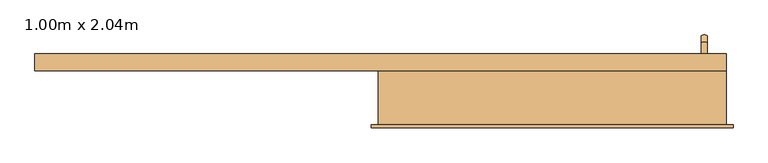
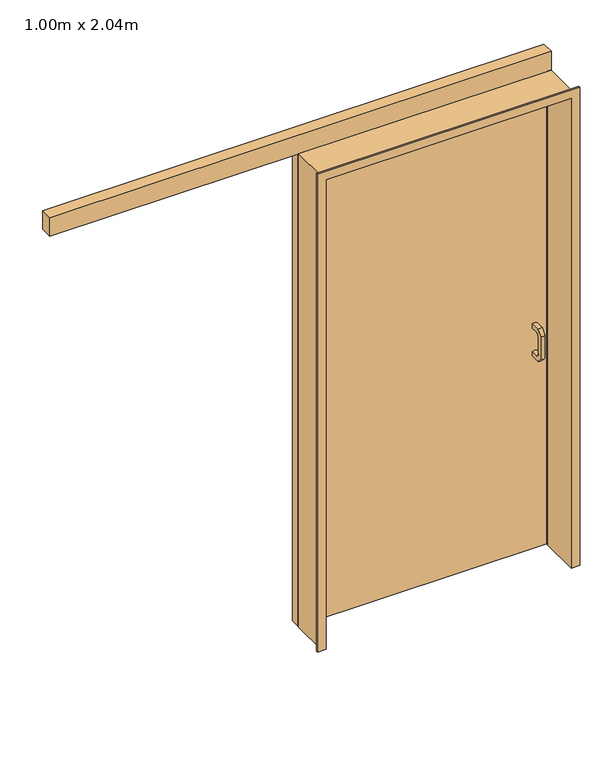
"""IFC4 building model written with IfcOpenShell, lengths in millimetres: door geometry, 1.00m x 2.04m."""

from ifc_helpers import new_model, si_unit, frame, origin, origin_with_axes, place, context, project, spatial, polyline, circle_curve, ellipse_curve, outline, extrude, faceted_brep, source, transform, mapped, element, save
from ifc_brep_helpers import plane_surface, cylinder_surface, advanced_brep


def door_1_00m_x_2_04m_8bb2a5d7(model_context):
    return source(origin(), model_context, "Body", "SolidModel", [
        advanced_brep(
        [(302.6965769, 85.0, 951.0), (302.6965769, 85.0, 969.0), (320.6965769, 85.0, 969.0), (320.6965769, 85.0, 951.0), (302.6965769, 53.7279221, 951.0), (302.6965769, 44.0, 941.2720779), (302.6965769, 44.0, 858.7279221), (302.6965769, 53.7279221, 849.0), (302.6965769, 85.0, 849.0), (302.6965769, 85.0, 831.0), (302.6965769, 46.2720779, 831.0), (302.6965769, 26.0, 851.2720779), (302.6965769, 26.0, 948.7279221), (302.6965769, 46.2720779, 969.0), (320.6965769, 46.2720779, 969.0), (320.6965769, 26.0, 948.7279221), (320.6965769, 26.0, 851.2720779), (320.6965769, 46.2720779, 831.0), (320.6965769, 85.0, 831.0), (320.6965769, 85.0, 849.0), (320.6965769, 53.7279221, 849.0), (320.6965769, 44.0, 858.7279221), (320.6965769, 44.0, 941.2720779), (320.6965769, 53.7279221, 951.0)],
        [
            (0, 1),
            (1, 2, circle_curve(frame((311.6965769, 85.0, 952.1757495), z_axis=(0.0, 1.0, 0.0), x_axis=(0.0, 0.0, -1.0)), 19.0802359)),
            (2, 3),
            (3, 0, circle_curve(frame((311.6965769, 85.0, 967.8242505), z_axis=(0.0, 1.0, 0.0), x_axis=(0.0, 0.0, -1.0)), 19.0802359)),
            (0, 4),
            (4, 5),
            (5, 6),
            (6, 7),
            (7, 8),
            (8, 9),
            (9, 10),
            (10, 11),
            (11, 12),
            (12, 13),
            (13, 1),
            (13, 14, ellipse_curve(frame((311.6965769, 53.2409107, 952.1757495), z_axis=(0.0, 0.9238795325113943, 0.3826834323648303), x_axis=(0.0, 0.38268343236483, -0.9238795325113943)), 20.6522986, 19.0802359)),
            (14, 2),
            (14, 15),
            (15, 16),
            (16, 17),
            (17, 18),
            (18, 19),
            (19, 20),
            (20, 21),
            (21, 22),
            (22, 23),
            (23, 3),
            (23, 4, ellipse_curve(frame((311.6965769, 46.7590893, 967.8242505), z_axis=(0.0, 0.9238795325113943, 0.3826834323648303), x_axis=(0.0, 0.38268343236483, -0.9238795325113943)), 20.6522986, 19.0802359)),
            (12, 15, ellipse_curve(frame((311.6965769, 42.8242505, 941.7590893), z_axis=(0.0, 0.38268343236534924, 0.9238795325111794), x_axis=(0.0, 0.9238795325111792, -0.3826834323653497)), 20.6522986, 19.0802359)),
            (22, 5, ellipse_curve(frame((311.6965769, 27.1757495, 948.2409107), z_axis=(0.0, 0.38268343236534924, 0.9238795325111794), x_axis=(0.0, 0.9238795325111792, -0.3826834323653497)), 20.6522986, 19.0802359)),
            (11, 16, ellipse_curve(frame((311.6965769, 42.8242505, 858.2409107), z_axis=(0.0, -0.38268343236508773, 0.9238795325112875), x_axis=(0.0, 0.9238795325112874, 0.38268343236508806)), 20.6522986, 19.0802359)),
            (21, 6, ellipse_curve(frame((311.6965769, 27.1757495, 851.7590893), z_axis=(0.0, -0.38268343236508773, 0.9238795325112875), x_axis=(0.0, 0.9238795325112874, 0.38268343236508806)), 20.6522986, 19.0802359)),
            (10, 17, ellipse_curve(frame((311.6965769, 53.2409107, 847.8242505), z_axis=(0.0, -0.9238795325112861, 0.3826834323650919), x_axis=(0.0, 0.3826834323650928, 0.9238795325112856)), 20.6522986, 19.0802359)),
            (20, 7, ellipse_curve(frame((311.6965769, 46.7590893, 832.1757495), z_axis=(0.0, -0.9238795325112861, 0.3826834323650919), x_axis=(0.0, 0.3826834323650928, 0.9238795325112856)), 20.6522986, 19.0802359)),
            (8, 19, circle_curve(frame((311.6965769, 85.0, 832.1757495), z_axis=(0.0, 1.0, 0.0), x_axis=(0.0, 0.0, 1.0)), 19.0802359)),
            (18, 9, circle_curve(frame((311.6965769, 85.0, 847.8242505), z_axis=(0.0, 1.0, 0.0), x_axis=(0.0, 0.0, 1.0)), 19.0802359)),
        ],
        [
            plane_surface(frame((324.424499, 85.0, 960.0), z_axis=(0.0, 1.0, 0.0), x_axis=(0.0, 0.0, 1.0))),
            plane_surface(frame((302.6965769, 85.0, 951.0), z_axis=(-1.0, 0.0, 0.0), x_axis=(0.0, -1.0, 0.0))),
            cylinder_surface(frame((311.6965769, 85.0, 952.1757495), z_axis=(0.0, 1.0, 0.0), x_axis=(0.0, 0.0, -1.0)), 19.0802359),
            plane_surface(frame((320.6965769, 85.0, 969.0), z_axis=(1.0, 0.0, 0.0), x_axis=(0.0, -1.0, 0.0))),
            cylinder_surface(frame((311.6965769, 85.0, 967.8242505), z_axis=(0.0, 1.0, 0.0), x_axis=(0.0, 0.0, -1.0)), 19.0802359),
            cylinder_surface(frame((311.6965769, 55.5325806, 954.4674194), z_axis=(0.0, 0.7071067811869447, 0.7071067811861503), x_axis=(0.0, 0.7071067811861503, -0.7071067811869447)), 19.0802359),
            cylinder_surface(frame((311.6965769, 44.4674194, 965.5325806), z_axis=(0.0, 0.7071067811869447, 0.7071067811861503), x_axis=(0.0, 0.7071067811861503, -0.7071067811869447)), 19.0802359),
            cylinder_surface(frame((311.6965769, 42.8242505, 945.0), z_axis=(0.0, 0.0, 1.0), x_axis=(0.0, 1.0, 0.0)), 19.0802359),
            cylinder_surface(frame((311.6965769, 27.1757495, 945.0), z_axis=(0.0, 0.0, 1.0), x_axis=(0.0, 1.0, 0.0)), 19.0802359),
            cylinder_surface(frame((311.6965769, 40.5325806, 860.5325806), z_axis=(0.0, -0.7071067811865445, 0.7071067811865507), x_axis=(0.0, 0.7071067811865507, 0.7071067811865445)), 19.0802359),
            cylinder_surface(frame((311.6965769, 29.4674194, 849.4674194), z_axis=(0.0, -0.7071067811865445, 0.7071067811865507), x_axis=(0.0, 0.7071067811865507, 0.7071067811865445)), 19.0802359),
            plane_surface(frame((324.424499, 85.0, 840.0), z_axis=(0.0, 1.0, 0.0), x_axis=(0.0, 0.0, -1.0))),
            cylinder_surface(frame((311.6965769, 50.0, 847.8242505), z_axis=(0.0, -1.0, 0.0), x_axis=(0.0, 0.0, 1.0)), 19.0802359),
            cylinder_surface(frame((311.6965769, 50.0, 832.1757495), z_axis=(0.0, -1.0, 0.0), x_axis=(0.0, 0.0, 1.0)), 19.0802359),
        ],
        [
            (0, [[1, 2, 3, 4]]),
            (1, [[-1, 5, 6, 7, 8, 9, 10, 11, 12, 13, 14, 15]]),
            (2, [[-2, -15, 16, 17]]),
            (3, [[-3, -17, 18, 19, 20, 21, 22, 23, 24, 25, 26, 27]]),
            (4, [[-4, -27, 28, -5]]),
            (5, [[-16, -14, 29, -18]]),
            (6, [[-28, -26, 30, -6]]),
            (7, [[-29, -13, 31, -19]]),
            (8, [[-30, -25, 32, -7]]),
            (9, [[-31, -12, 33, -20]]),
            (10, [[-32, -24, 34, -8]]),
            (11, [[35, -22, 36, -10]]),
            (12, [[-33, -11, -36, -21]]),
            (13, [[-34, -23, -35, -9]]),
        ],
    ),
        advanced_brep(
        [(320.6965769, 125.0, 969.0), (302.6965769, 125.0, 969.0), (302.6965769, 125.0, 951.0), (320.6965769, 125.0, 951.0), (320.6965769, 163.7279221, 969.0), (302.6965769, 163.7279221, 969.0), (302.6965769, 184.0, 948.7279221), (302.6965769, 184.0, 851.2720779), (302.6965769, 163.7279221, 831.0), (302.6965769, 125.0, 831.0), (302.6965769, 125.0, 849.0), (302.6965769, 156.2720779, 849.0), (302.6965769, 166.0, 858.7279221), (302.6965769, 166.0, 941.2720779), (302.6965769, 156.2720779, 951.0), (320.6965769, 156.2720779, 951.0), (320.6965769, 166.0, 941.2720779), (320.6965769, 166.0, 858.7279221), (320.6965769, 156.2720779, 849.0), (320.6965769, 125.0, 849.0), (320.6965769, 125.0, 831.0), (320.6965769, 163.7279221, 831.0), (320.6965769, 184.0, 851.2720779), (320.6965769, 184.0, 948.7279221)],
        [
            (0, 1, circle_curve(frame((311.6965769, 125.0, 952.1757495), z_axis=(0.0, -1.0, 0.0), x_axis=(0.0, 0.0, 1.0)), 19.0802359)),
            (1, 2),
            (2, 3, circle_curve(frame((311.6965769, 125.0, 967.8242505), z_axis=(0.0, -1.0, 0.0), x_axis=(0.0, 0.0, 1.0)), 19.0802359)),
            (3, 0),
            (0, 4),
            (4, 5, ellipse_curve(frame((311.6965769, 156.7590893, 952.1757495), z_axis=(0.0, -0.9238795325111986, 0.38268343236530267), x_axis=(0.0, -0.38268343236530256, -0.9238795325111986)), 20.6522986, 19.0802359)),
            (5, 1),
            (5, 6),
            (6, 7),
            (7, 8),
            (8, 9),
            (9, 10),
            (10, 11),
            (11, 12),
            (12, 13),
            (13, 14),
            (14, 2),
            (14, 15, ellipse_curve(frame((311.6965769, 163.2409107, 967.8242505), z_axis=(0.0, -0.9238795325111986, 0.38268343236530267), x_axis=(0.0, -0.38268343236530256, -0.9238795325111986)), 20.6522986, 19.0802359)),
            (15, 3),
            (15, 16),
            (16, 17),
            (17, 18),
            (18, 19),
            (19, 20),
            (20, 21),
            (21, 22),
            (22, 23),
            (23, 4),
            (23, 6, ellipse_curve(frame((311.6965769, 167.1757495, 941.7590893), z_axis=(0.0, -0.38268343236487695, 0.923879532511375), x_axis=(0.0, -0.9238795325113747, -0.3826834323648774)), 20.6522986, 19.0802359)),
            (13, 16, ellipse_curve(frame((311.6965769, 182.8242505, 948.2409107), z_axis=(0.0, -0.38268343236487695, 0.923879532511375), x_axis=(0.0, -0.9238795325113747, -0.3826834323648774)), 20.6522986, 19.0802359)),
            (22, 7, ellipse_curve(frame((311.6965769, 167.1757495, 858.2409107), z_axis=(0.0, 0.38268343236508484, 0.9238795325112887), x_axis=(0.0, -0.9238795325112886, 0.3826834323650852)), 20.6522986, 19.0802359)),
            (12, 17, ellipse_curve(frame((311.6965769, 182.8242505, 851.7590893), z_axis=(0.0, 0.38268343236508484, 0.9238795325112887), x_axis=(0.0, -0.9238795325112886, 0.3826834323650852)), 20.6522986, 19.0802359)),
            (21, 8, ellipse_curve(frame((311.6965769, 156.7590893, 847.8242505), z_axis=(0.0, 0.9238795325112846, 0.38268343236509456), x_axis=(0.0, -0.38268343236509395, 0.9238795325112851)), 20.6522986, 19.0802359)),
            (11, 18, ellipse_curve(frame((311.6965769, 163.2409107, 832.1757495), z_axis=(0.0, 0.9238795325112846, 0.38268343236509456), x_axis=(0.0, -0.38268343236509395, 0.9238795325112851)), 20.6522986, 19.0802359)),
            (19, 10, circle_curve(frame((311.6965769, 125.0, 832.1757495), z_axis=(0.0, -1.0, 0.0), x_axis=(0.0, 0.0, -1.0)), 19.0802359)),
            (9, 20, circle_curve(frame((311.6965769, 125.0, 847.8242505), z_axis=(0.0, -1.0, 0.0), x_axis=(0.0, 0.0, -1.0)), 19.0802359)),
        ],
        [
            plane_surface(frame((324.424499, 125.0, 960.0), z_axis=(0.0, -1.0, 0.0), x_axis=(0.0, 0.0, -1.0))),
            cylinder_surface(frame((311.6965769, 125.0, 952.1757495), z_axis=(0.0, -1.0, 0.0), x_axis=(0.0, 0.0, 1.0)), 19.0802359),
            plane_surface(frame((302.6965769, 125.0, 969.0), z_axis=(-1.0, 0.0, 0.0), x_axis=(0.0, 1.0, 0.0))),
            cylinder_surface(frame((311.6965769, 125.0, 967.8242505), z_axis=(0.0, -1.0, 0.0), x_axis=(0.0, 0.0, 1.0)), 19.0802359),
            plane_surface(frame((320.6965769, 125.0, 951.0), z_axis=(1.0, 0.0, 0.0), x_axis=(0.0, 1.0, 0.0))),
            cylinder_surface(frame((311.6965769, 154.4674194, 954.4674194), z_axis=(0.0, -0.7071067811862217, 0.7071067811868734), x_axis=(0.0, 0.7071067811868734, 0.7071067811862217)), 19.0802359),
            cylinder_surface(frame((311.6965769, 165.5325806, 965.5325806), z_axis=(0.0, -0.7071067811862217, 0.7071067811868734), x_axis=(0.0, 0.7071067811868734, 0.7071067811862217)), 19.0802359),
            cylinder_surface(frame((311.6965769, 167.1757495, 945.0), z_axis=(0.0, 0.0, 1.0), x_axis=(0.0, 1.0, 0.0)), 19.0802359),
            cylinder_surface(frame((311.6965769, 182.8242505, 945.0), z_axis=(0.0, 0.0, 1.0), x_axis=(0.0, 1.0, 0.0)), 19.0802359),
            cylinder_surface(frame((311.6965769, 169.4674194, 860.5325806), z_axis=(0.0, 0.70710678118654, 0.707106781186555), x_axis=(0.0, 0.707106781186555, -0.70710678118654)), 19.0802359),
            cylinder_surface(frame((311.6965769, 180.5325806, 849.4674194), z_axis=(0.0, 0.70710678118654, 0.707106781186555), x_axis=(0.0, 0.707106781186555, -0.70710678118654)), 19.0802359),
            plane_surface(frame((324.424499, 125.0, 840.0), z_axis=(0.0, -1.0, 0.0), x_axis=(0.0, 0.0, 1.0))),
            cylinder_surface(frame((311.6965769, 160.0, 847.8242505), z_axis=(0.0, 1.0, 0.0), x_axis=(0.0, 0.0, -1.0)), 19.0802359),
            cylinder_surface(frame((311.6965769, 160.0, 832.1757495), z_axis=(0.0, 1.0, 0.0), x_axis=(0.0, 0.0, -1.0)), 19.0802359),
        ],
        [
            (0, [[1, 2, 3, 4]]),
            (1, [[-1, 5, 6, 7]]),
            (2, [[-2, -7, 8, 9, 10, 11, 12, 13, 14, 15, 16, 17]]),
            (3, [[-3, -17, 18, 19]]),
            (4, [[-4, -19, 20, 21, 22, 23, 24, 25, 26, 27, 28, -5]]),
            (5, [[-6, -28, 29, -8]]),
            (6, [[-18, -16, 30, -20]]),
            (7, [[-29, -27, 31, -9]]),
            (8, [[-30, -15, 32, -21]]),
            (9, [[-31, -26, 33, -10]]),
            (10, [[-32, -14, 34, -22]]),
            (11, [[-24, 35, -12, 36]]),
            (12, [[-33, -25, -36, -11]]),
            (13, [[-34, -13, -35, -23]]),
        ],
    ),
        extrude(outline(polyline([(376.6965769, 130.0), (376.6965769, 80.0), (361.6965769, 80.0), (361.6965769, 130.0), (376.6965769, 130.0)])), origin_with_axes(), (0.0, 0.0, 1.0), 2040.0),
        faceted_brep([(-653.3034231, -80.0, 0.0), (-653.3034231, 80.0, 0.0), (-638.3034231, 80.0, 0.0), (-638.3034231, -88.0, 0.0), (-673.3034231, -88.0, 0.0), (-673.3034231, -80.0, 0.0), (-673.3034231, -80.0, 2060.0), (396.6965769, -80.0, 2060.0), (396.6965769, -80.0, 0.0), (376.6965769, -80.0, 0.0), (376.6965769, -80.0, 2040.0), (-653.3034231, -80.0, 2040.0), (-673.3034231, -88.0, 2060.0), (-638.3034231, -88.0, 2025.0), (361.6965769, -88.0, 2025.0), (361.6965769, -88.0, 0.0), (396.6965769, -88.0, 0.0), (396.6965769, -88.0, 2060.0), (-638.3034231, 80.0, 2025.0), (-653.3034231, 80.0, 2040.0), (376.6965769, 80.0, 2040.0), (376.6965769, 80.0, 0.0), (361.6965769, 80.0, 0.0), (361.6965769, 80.0, 2025.0)], [[[0, 1, 2, 3, 4, 5]], [[5, 6, 7, 8, 9, 10, 11, 0]], [[4, 12, 6, 5]], [[3, 13, 14, 15, 16, 17, 12, 4]], [[2, 18, 13, 3]], [[1, 19, 20, 21, 22, 23, 18, 2]], [[0, 11, 19, 1]], [[12, 17, 7, 6]], [[18, 23, 14, 13]], [[11, 10, 20, 19]], [[9, 8, 16, 15, 22, 21]], [[17, 16, 8, 7]], [[23, 22, 15, 14]], [[10, 9, 21, 20]]]),
        extrude(outline(polyline([(361.6965769, 125.0), (361.6965769, 85.0), (-653.3034231, 85.0), (-653.3034231, 125.0), (361.6965769, 125.0)])), origin_with_axes(), (0.0, 0.0, 1.0), 2040.0),
        extrude(outline(polyline([(376.6965769, 130.0), (376.6965769, 80.0), (-1668.3034231, 80.0), (-1668.3034231, 130.0), (376.6965769, 130.0)])), frame((0.0, 0.0, 2040.0), z_axis=(0.0, 0.0, 1.0), x_axis=(1.0, 0.0, 0.0)), (0.0, 0.0, 1.0), 80.0),
    ])


if __name__ == "__main__":
    model = new_model("IFC4")
    model_context = context("Model", 3, world=origin())
    ifc_project = project(units=[si_unit("LENGTHUNIT", "METRE", prefix="MILLI")], contexts=[model_context])
    site = spatial("IfcSite", under=ifc_project)
    building = spatial("IfcBuilding", under=site)
    placement = place(None, origin())
    door_1_00m_x_2_04m_shape = door_1_00m_x_2_04m_8bb2a5d7(model_context)
    element("IfcDoor", 1, ObjectType="1.00m x 2.04m", at=placement, inside=building, context=model_context, shape_type="MappedRepresentation", body=[
        mapped(door_1_00m_x_2_04m_shape, transform((0.0, 0.0, 0.0), x_axis=(1.0, 0.0, 0.0), y_axis=(0.0, 1.0, 0.0), z_axis=(0.0, 0.0, 1.0))),
    ])
    save(model, "model.ifc")
